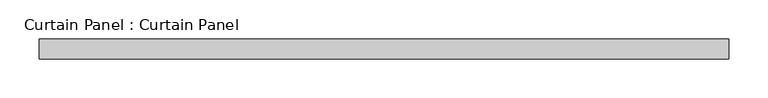
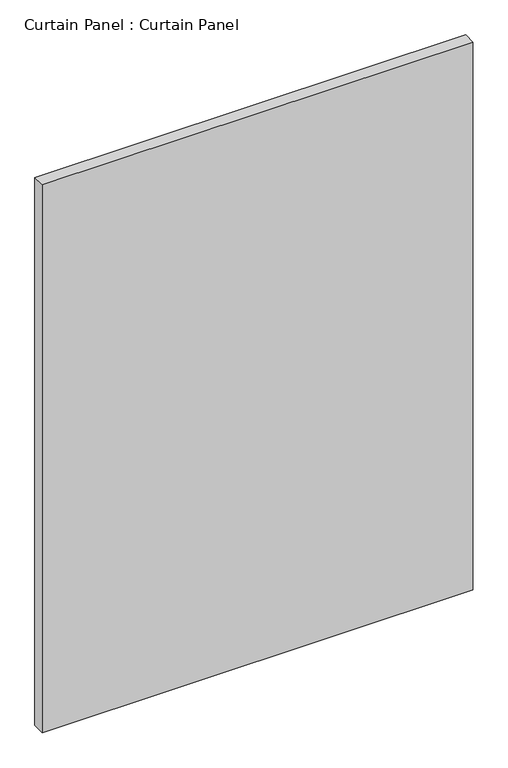
"""IFC4 building model written with IfcOpenShell, lengths in millimetres: plate geometry, Curtain Panel : Curtain Panel."""

from ifc_helpers import new_model, si_unit, frame, origin, place, context, project, spatial, polyline, outline, extrude, source, transform, mapped, element, save


def curtain_panel_curtain_panel_0087c362(model_context):
    return source(origin(), model_context, "Body", "SweptSolid", [
        extrude(outline(polyline([(-176737.9628689, 4757.6387985), (-177617.4378689, 4757.6387985), (-177617.4378689, 4783.0387985), (-176737.9628689, 4783.0387985), (-176737.9628689, 4757.6387985)])), frame((0.0, 0.0, 1236.6625), z_axis=(0.0, 0.0, 1.0), x_axis=(1.0, 0.0, 0.0)), (0.0, 0.0, 1.0), 1184.275),
    ])


if __name__ == "__main__":
    model = new_model("IFC4")
    model_context = context("Model", 3, world=origin())
    ifc_project = project(units=[si_unit("LENGTHUNIT", "METRE", prefix="MILLI")], contexts=[model_context])
    site = spatial("IfcSite", under=ifc_project)
    building = spatial("IfcBuilding", under=site)
    placement = place(None, origin())
    curtain_panel_curtain_panel_shape = curtain_panel_curtain_panel_0087c362(model_context)
    element("IfcPlate", 1, ObjectType="Curtain Panel : Curtain Panel", at=placement, inside=building, context=model_context, shape_type="MappedRepresentation", body=[
        mapped(curtain_panel_curtain_panel_shape, transform((0.0, 0.0, 0.0), x_axis=(1.0, 0.0, 0.0), y_axis=(0.0, 1.0, 0.0), z_axis=(0.0, 0.0, 1.0))),
    ])
    save(model, "model.ifc")
